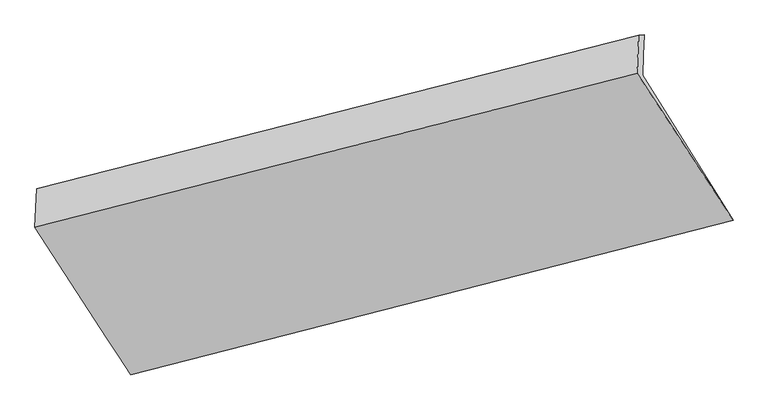
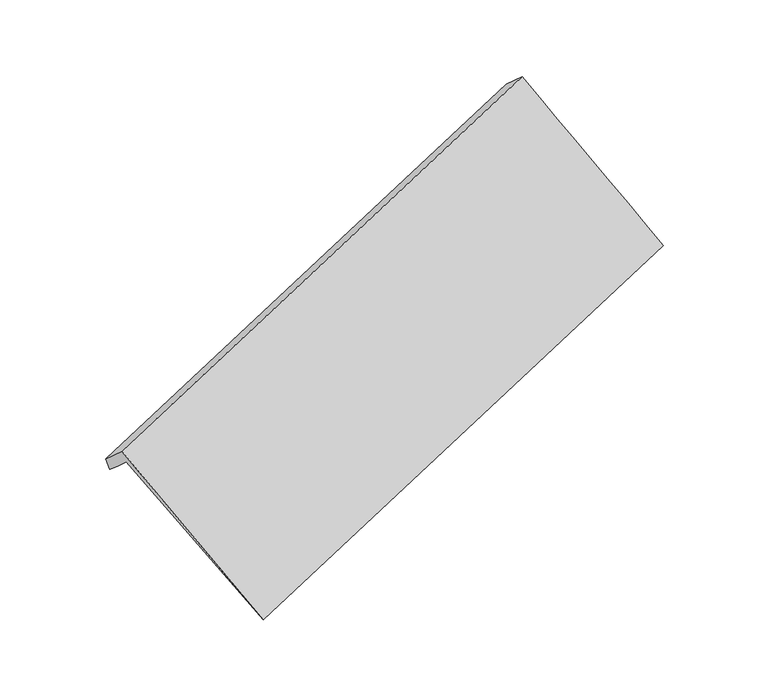
"""IFC4 building model written with IfcOpenShell, lengths in millimetres: proxy geometry."""

from ifc_helpers import new_model, si_unit, frame, origin, place, context, project, spatial, source, transform, mapped, element, save
from ifc_brep_helpers import plane_surface, spline_surface, advanced_brep


def generic_models_c4d5a39f(model_context):
    return source(origin(), model_context, "Body", "AdvancedBrep", [
        advanced_brep(
        [(-5207.6655769, -2019.080725, 1431.7367663), (-5201.0254175, -1871.7820027, 1301.0283414), (-715.9952638, -731.0175652, 2821.4992897), (-722.7934337, -881.8214348, 2955.3180761), (-5194.385258, -1724.4832804, 1170.3199166), (-709.1970939, -580.2136956, 2687.6805032), (-5236.03128, -1726.327608, 1294.8128383), (-750.8431159, -582.0580232, 2812.173425), (-5249.017532, -2014.4017655, 1550.4411207), (-763.613931, -865.3531417, 3063.5609329), (-4533.340165, -3112.1896382, 262.8220801), (-48.3230944, -1959.9143301, 1774.6511412)],
        [
            (0, 1),
            (1, 2),
            (2, 3),
            (3, 0),
            (1, 4),
            (4, 5),
            (5, 2),
            (4, 6),
            (6, 7),
            (7, 5),
            (6, 8),
            (8, 9),
            (9, 7),
            (8, 10),
            (10, 11),
            (11, 9),
            (10, 0),
            (3, 11),
        ],
        [
            plane_surface(frame((-5204.3454972, -1945.4313638, 1366.3825539), z_axis=(0.3886827749683933, -0.6212817878313601, -0.6803930044848627), x_axis=(0.033699144287075884, 0.7475484504130132, -0.6633518538147171))),
            plane_surface(frame((-5197.7053377, -1798.1326415, 1235.674129), z_axis=(0.38868277496839326, -0.6212817878313601, -0.6803930044848627), x_axis=(0.033699144287075884, 0.7475484504130132, -0.6633518538147171))),
            plane_surface(frame((-5215.208269, -1725.4054442, 1232.5663774), z_axis=(-0.22712438495844164, 0.9719168676752618, -0.06158015983705836), x_axis=(-0.3172135647162843, -0.014048058020121717, 0.9482500758902427))),
            plane_surface(frame((-5242.524406, -1870.3646868, 1422.6269795), z_axis=(-0.3886827749683893, 0.6212817878313748, 0.6803930044848514), x_axis=(-0.03369914428712153, -0.7475484504130114, 0.6633518538147166))),
            spline_surface(1, 1, [[(-5249.017532, -2014.4017655, 1550.4411207), (-763.613931, -865.3531417, 3063.5609329)], [(-4533.340165, -3112.1896382, 262.8220801), (-48.3230944, -1959.9143301, 1774.6511412)]], [2, 2], [2, 2], [0.0, 1.0], [0.0, 1.0]),
            spline_surface(1, 1, [[(-4533.340165, -3112.1896382, 262.8220801), (-48.3230944, -1959.9143301, 1774.6511412)], [(-5207.6655769, -2019.080725, 1431.7367663), (-722.7934337, -881.8214348, 2955.3180761)]], [2, 2], [2, 2], [0.0, 1.0], [0.0, 1.0]),
            plane_surface(frame((-598.9541338, -973.8721251, 2658.6768157), z_axis=(0.9207551618737653, 0.23490477729101686, 0.3114958707409687), x_axis=(0.38958631742513417, -0.5961575917725699, -0.7020104180473767))),
            plane_surface(frame((-5084.0879624, -2119.2966034, 1142.0265444), z_axis=(-0.9207551618737722, -0.2349047772911797, -0.31149587074082496), x_axis=(0.38829025655709876, -0.6294342951550438, -0.6730847975890524))),
        ],
        [
            (0, [[1, 2, 3, 4]]),
            (1, [[5, 6, 7, -2]]),
            (2, [[8, 9, 10, -6]]),
            (3, [[11, 12, 13, -9]]),
            (4, [[14, 15, 16, -12]]),
            (5, [[17, -4, 18, -15]]),
            (6, [[-16, -18, -3, -7, -10, -13]]),
            (7, [[-17, -14, -11, -8, -5, -1]]),
        ],
    ),
    ])


if __name__ == "__main__":
    model = new_model("IFC4")
    model_context = context("Model", 3, world=origin())
    ifc_project = project(units=[si_unit("LENGTHUNIT", "METRE", prefix="MILLI")], contexts=[model_context])
    site = spatial("IfcSite", under=ifc_project)
    building = spatial("IfcBuilding", under=site)
    placement = place(None, origin())
    generic_models_shape = generic_models_c4d5a39f(model_context)
    element("IfcBuildingElementProxy", 1, Name="Generic Models", at=placement, inside=building, context=model_context, shape_type="MappedRepresentation", body=[
        mapped(generic_models_shape, transform((0.0, 0.0, 0.0), x_axis=(1.0, 0.0, 0.0), y_axis=(0.0, 1.0, 0.0), z_axis=(0.0, 0.0, 1.0))),
    ])
    save(model, "model.ifc")
